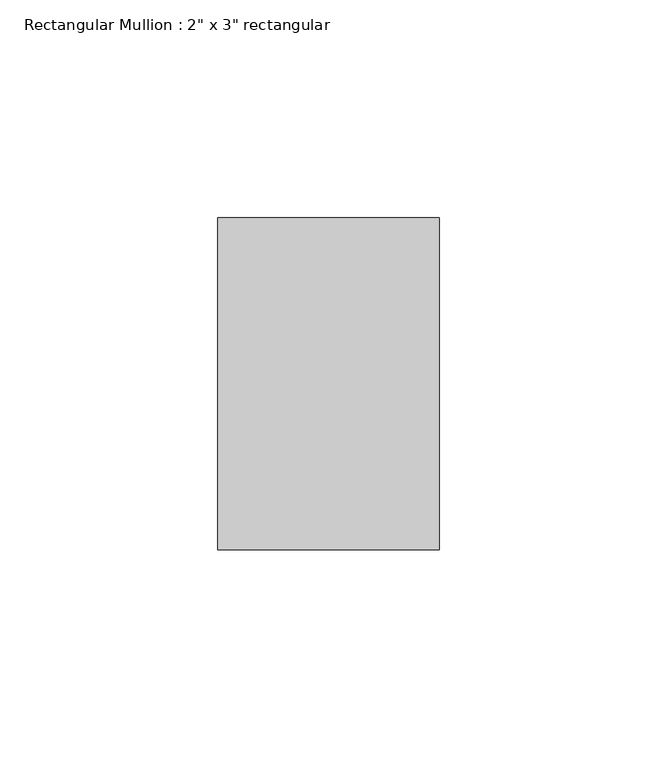
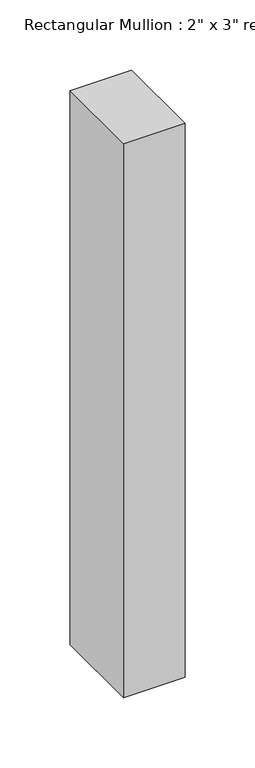
"""IFC4 building model written with IfcOpenShell, lengths in millimetres: member geometry."""

from ifc_helpers import new_model, si_unit, frame, origin, place, context, project, spatial, polyline, outline, extrude, source, transform, mapped, element, save


def member_c1618b9e(model_context):
    return source(origin(), model_context, "Body", "SweptSolid", [
        extrude(outline(polyline([(0.0, 38.1), (0.0, -38.1), (-50.8, -38.1), (-50.8, 38.1), (0.0, 38.1)])), frame((0.0, 0.0, -482.6), z_axis=(0.0, 0.0, 1.0), x_axis=(1.0, 0.0, 0.0)), (0.0, 0.0, 1.0), 482.6),
    ])


if __name__ == "__main__":
    model = new_model("IFC4")
    model_context = context("Model", 3, world=origin())
    ifc_project = project(units=[si_unit("LENGTHUNIT", "METRE", prefix="MILLI")], contexts=[model_context])
    site = spatial("IfcSite", under=ifc_project)
    building = spatial("IfcBuilding", under=site)
    placement = place(None, origin())
    member_shape = member_c1618b9e(model_context)
    element("IfcMember", 1, ObjectType="Rectangular Mullion : 2\" x 3\" rectangular", at=placement, inside=building, context=model_context, shape_type="MappedRepresentation", body=[
        mapped(member_shape, transform((0.0, 0.0, 0.0), x_axis=(1.0, 0.0, 0.0), y_axis=(0.0, 1.0, 0.0), z_axis=(0.0, 0.0, 1.0))),
    ])
    save(model, "model.ifc")
